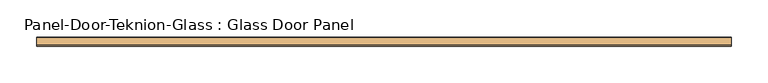
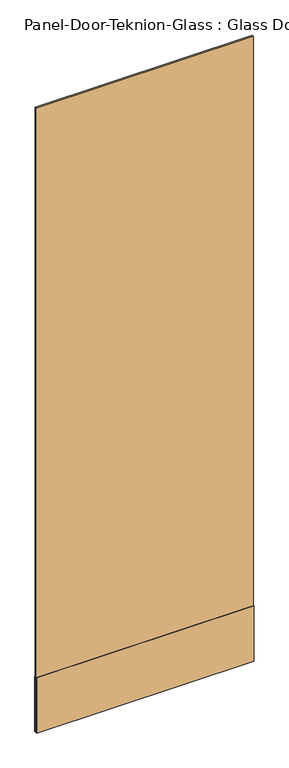
"""IFC4 building model written with IfcOpenShell, lengths in millimetres: door geometry, Panel-Door-Teknion-Glass : Glass Door Panel."""

from ifc_helpers import new_model, si_unit, frame, origin, place, context, project, spatial, polyline, outline, extrude, source, transform, mapped, element, save


def panel_door_teknion_glass_glass_door_panel_5335f482(model_context):
    return source(origin(), model_context, "Body", "SweptSolid", [
        extrude(outline(polyline([(473.067856, -4.5085), (-473.067856, -4.5085), (-473.067856, 4.5085), (473.067856, 4.5085), (473.067856, -4.5085)])), frame((0.0, 0.0, 12.7), z_axis=(0.0, 0.0, 1.0), x_axis=(1.0, 0.0, 0.0)), (0.0, 0.0, 1.0), 2870.8275997),
        extrude(outline(polyline([(473.067856, -6.1087), (-473.067856, -6.1087), (-473.067856, -4.5085), (473.067856, -4.5085), (473.067856, -6.1087)])), frame((0.0, 0.0, 12.7), z_axis=(0.0, 0.0, 1.0), x_axis=(1.0, 0.0, 0.0)), (0.0, 0.0, 1.0), 254.0),
        extrude(outline(polyline([(473.067856, 4.5085), (-473.067856, 4.5085), (-473.067856, 6.1087), (473.067856, 6.1087), (473.067856, 4.5085)])), frame((0.0, 0.0, 12.7), z_axis=(0.0, 0.0, 1.0), x_axis=(1.0, 0.0, 0.0)), (0.0, 0.0, 1.0), 254.0),
    ])


if __name__ == "__main__":
    model = new_model("IFC4")
    model_context = context("Model", 3, world=origin())
    ifc_project = project(units=[si_unit("LENGTHUNIT", "METRE", prefix="MILLI")], contexts=[model_context])
    site = spatial("IfcSite", under=ifc_project)
    building = spatial("IfcBuilding", under=site)
    placement = place(None, origin())
    panel_door_teknion_glass_glass_door_panel_shape = panel_door_teknion_glass_glass_door_panel_5335f482(model_context)
    element("IfcDoor", 1, ObjectType="Panel-Door-Teknion-Glass : Glass Door Panel", at=placement, inside=building, context=model_context, shape_type="MappedRepresentation", body=[
        mapped(panel_door_teknion_glass_glass_door_panel_shape, transform((0.0, 0.0, 0.0), x_axis=(1.0, 0.0, 0.0), y_axis=(0.0, 1.0, 0.0), z_axis=(0.0, 0.0, 1.0))),
    ])
    save(model, "model.ifc")
